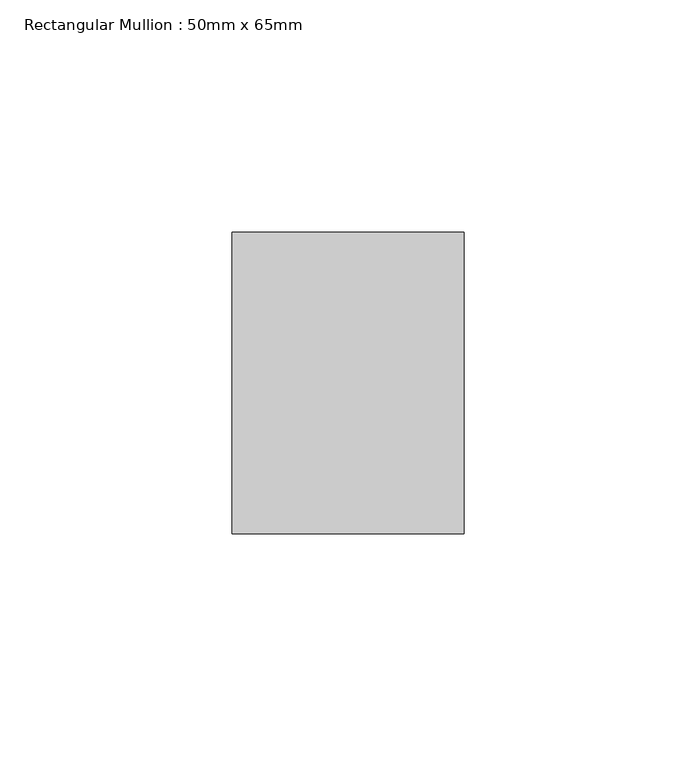
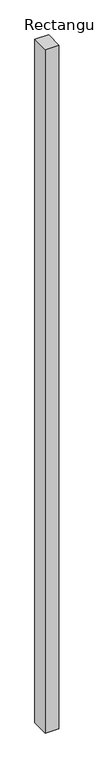
"""IFC4 building model written with IfcOpenShell, lengths in millimetres: member geometry, Rectangular Mullion : 50mm x 65mm."""

import ifcopenshell
import ifcopenshell.guid

model = None  # the IFC model being written
_history = None  # IfcOwnerHistory: only IFC2X3 demands one
_inside = {}  # id of a spatial element -> (the spatial element, [elements in it])
_under = {}  # id of a project, library or spatial element -> (it, [spatial elements below it])
_declared = {}  # id of a project -> (the project, [libraries it declares])
_typed = {}  # id of a type object -> (the type object, [elements of that type])
_made_of = {}  # id of a material, layer set ... -> (it, [elements and type objects made of it])


def new_model(schema):
    """Start an empty IFC model of exactly this schema.

    Asked for "IFC4X3", IfcOpenShell would pick the latest addendum, in which some entities
    have other attributes; the version numbers below select the first issue.
    IFC2X3 requires an IfcOwnerHistory on every rooted entity: one is made here for all.
    """
    global model, _history
    if schema == "IFC4X3":
        model = ifcopenshell.file(schema_version=(4, 3, 0, 0))
    else:
        model = ifcopenshell.file(schema=schema)
    _inside.clear()
    _under.clear()
    _declared.clear()
    _typed.clear()
    _made_of.clear()
    _history = None
    if model.schema == "IFC2X3":
        org = make("IfcOrganization", Name="unknown")
        user = make(
            "IfcPersonAndOrganization",
            ThePerson=make("IfcPerson", FamilyName="unknown"),
            TheOrganization=org,
        )
        app = make(
            "IfcApplication",
            ApplicationDeveloper=org,
            Version="unknown",
            ApplicationFullName="unknown",
            ApplicationIdentifier="unknown",
        )
        _history = make(
            "IfcOwnerHistory",
            OwningUser=user,
            OwningApplication=app,
            ChangeAction="ADDED",
            CreationDate=0,
        )
    return model


def make(cls, **values):
    """One entity of the class cls with the attributes given. An attribute that is None is left unset."""
    return model.create_entity(
        cls, **{name: value for name, value in values.items() if value is not None}
    )


def rooted(cls, **values):
    """An entity with a GlobalId (a new one), such as an element, a storey or a relation."""
    return make(cls, GlobalId=ifcopenshell.guid.new(), OwnerHistory=_history, **values)


def si_unit(unit_type, name, prefix=None):
    """IfcSIUnit, for example si_unit("LENGTHUNIT", "METRE", prefix="MILLI")."""
    return make("IfcSIUnit", UnitType=unit_type, Prefix=prefix, Name=name)


def assignment(units):
    """IfcUnitAssignment: the units of a project."""
    return None if units is None else make("IfcUnitAssignment", Units=units)


def point(xyz):
    """IfcCartesianPoint."""
    return None if xyz is None else make("IfcCartesianPoint", Coordinates=xyz)


def direction(xyz):
    """IfcDirection."""
    return None if xyz is None else make("IfcDirection", DirectionRatios=xyz)


def frame(location, z_axis=None, x_axis=None):
    """IfcAxis2Placement3D, a coordinate frame: its origin and axes. An axis left out is left unset."""
    return make(
        "IfcAxis2Placement3D",
        Location=point(location),
        Axis=direction(z_axis),
        RefDirection=direction(x_axis),
    )


def origin():
    """The frame at (0, 0, 0) with its axes left unset."""
    return frame((0.0, 0.0, 0.0))


def place(relative_to, where):
    """IfcLocalPlacement: puts the frame where relative to a parent placement (None: the world)."""
    return make(
        "IfcLocalPlacement", PlacementRelTo=relative_to, RelativePlacement=where
    )


def context(
    kind, dimensions, precision=None, world=None, true_north=None, identifier=None
):
    """IfcGeometricRepresentationContext, for example the 3D "Model" context."""
    return make(
        "IfcGeometricRepresentationContext",
        ContextIdentifier=identifier,
        ContextType=kind,
        CoordinateSpaceDimension=dimensions,
        Precision=precision,
        WorldCoordinateSystem=world,
        TrueNorth=true_north,
    )


def project(units=None, contexts=None):
    """IfcProject with its units and contexts."""
    return rooted(
        "IfcProject",
        Name="project",
        RepresentationContexts=contexts,
        UnitsInContext=assignment(units),
    )


def spatial(cls, under=None, at=None, **own):
    """A site, building, storey or space (cls), placed at a placement, below another one or the project."""
    s = rooted(cls, ObjectPlacement=at, **own)
    if under is not None:
        _under.setdefault(under.id(), (under, []))[1].append(s)
    return s


def polyline(points):
    """IfcPolyline through the points."""
    return make("IfcPolyline", Points=[point(p) for p in points])


def outline(outer, holes=None, kind="AREA"):
    """IfcArbitraryClosedProfileDef: a profile drawn as a closed curve; with holes, ...WithVoids."""
    if holes is None:
        return make("IfcArbitraryClosedProfileDef", ProfileType=kind, OuterCurve=outer)
    return make(
        "IfcArbitraryProfileDefWithVoids",
        ProfileType=kind,
        OuterCurve=outer,
        InnerCurves=holes,
    )


def extrude(swept, where, along, depth):
    """IfcExtrudedAreaSolid: the profile swept, set in the frame where, extruded along a direction by depth."""
    return make(
        "IfcExtrudedAreaSolid",
        SweptArea=swept,
        Position=where,
        ExtrudedDirection=direction(along),
        Depth=depth,
    )


def shape(context_of_items, identifier, shape_type, items):
    """IfcShapeRepresentation: the items that make up one representation, for example the "Body"."""
    return make(
        "IfcShapeRepresentation",
        ContextOfItems=context_of_items,
        RepresentationIdentifier=identifier,
        RepresentationType=shape_type,
        Items=items,
    )


def source(mapping_origin, context_of_items, identifier, shape_type, items):
    """IfcRepresentationMap: a shape defined once, which mapped items show again and again."""
    return make(
        "IfcRepresentationMap",
        MappingOrigin=mapping_origin,
        MappedRepresentation=shape(context_of_items, identifier, shape_type, items),
    )


def transform(
    local_origin,
    x_axis=None,
    y_axis=None,
    z_axis=None,
    scale=None,
    scale2=None,
    scale3=None,
    uniform=True,
):
    """IfcCartesianTransformationOperator3D, or its non-uniform kind. x_axis, y_axis, z_axis: its Axis1, 2, 3."""
    if uniform:
        return make(
            "IfcCartesianTransformationOperator3D",
            Axis1=direction(x_axis),
            Axis2=direction(y_axis),
            LocalOrigin=point(local_origin),
            Scale=scale,
            Axis3=direction(z_axis),
        )
    return make(
        "IfcCartesianTransformationOperator3DnonUniform",
        Axis1=direction(x_axis),
        Axis2=direction(y_axis),
        LocalOrigin=point(local_origin),
        Scale=scale,
        Axis3=direction(z_axis),
        Scale2=scale2,
        Scale3=scale3,
    )


def mapped(mapping_source, mapping_target):
    """IfcMappedItem: shows the shape of a source again, moved by a transform."""
    return make(
        "IfcMappedItem", MappingSource=mapping_source, MappingTarget=mapping_target
    )


def made_of(thing, what):
    """Note that an element or type object is made of a material, layer set ...; save() writes the relation."""
    if what is not None:
        _made_of.setdefault(what.id(), (what, []))[1].append(thing)
    return thing


def element(
    cls,
    number,
    at=None,
    inside=None,
    cuts=None,
    type_object=None,
    material=None,
    context=None,
    identifier="Body",
    shape_type=None,
    held_by="IfcProductDefinitionShape",
    body=None,
    shapes=None,
    **own,
):
    """One element of the class cls, such as IfcWall. Its Tag is "e" and its number.

    at: its placement. inside: the storey or other place that contains it. cuts: it is an
    opening in that element (IfcRelVoidsElement). A single representation is given by context,
    identifier, shape_type and body (its items); several are given by shapes. held_by: the class
    of the entity that holds the representations. save() writes the other relations.
    """
    e = rooted(cls, Tag="e%d" % number, ObjectPlacement=at, **own)
    if body is not None:
        shapes = [shape(context, identifier, shape_type, body)]
    if shapes is not None:
        e.Representation = make(held_by, Representations=shapes)
    if inside is not None:
        _inside.setdefault(inside.id(), (inside, []))[1].append(e)
    if cuts is not None:
        rooted(
            "IfcRelVoidsElement", RelatingBuildingElement=cuts, RelatedOpeningElement=e
        )
    if type_object is not None:
        _typed.setdefault(type_object.id(), (type_object, []))[1].append(e)
    return made_of(e, material)


def aggregate(whole, parts):
    """IfcRelAggregates: a whole, such as a stair, and the parts it consists of."""
    return rooted("IfcRelAggregates", RelatingObject=whole, RelatedObjects=parts)


def save(model, path):
    """Write the relations noted so far, then the file.

    IfcRelAggregates (storeys below a building ...), IfcRelContainedInSpatialStructure (elements
    in a storey), IfcRelDefinesByType, IfcRelAssociatesMaterial and IfcRelDeclares: one each for
    every whole, place, type object, material and project.
    """
    for whole, parts in _under.values():
        aggregate(whole, parts)
    for where, things in _inside.values():
        rooted(
            "IfcRelContainedInSpatialStructure",
            RelatedElements=things,
            RelatingStructure=where,
        )
    for kind, things in _typed.values():
        rooted("IfcRelDefinesByType", RelatedObjects=things, RelatingType=kind)
    for what, things in _made_of.values():
        rooted("IfcRelAssociatesMaterial", RelatedObjects=things, RelatingMaterial=what)
    for by, libraries in _declared.values():
        rooted("IfcRelDeclares", RelatingContext=by, RelatedDefinitions=libraries)
    model.write(path)


def rectangular_mullion_50mm_x_65mm_7665a80a(model_context):
    return source(origin(), model_context, "Body", "SweptSolid", [
        extrude(outline(polyline([(25.0, 32.5), (25.0, -32.5), (-25.0, -32.5), (-25.0, 32.5), (25.0, 32.5)])), frame((0.0, 0.0, -2625.0751296), z_axis=(0.0, 0.0, 1.0), x_axis=(1.0, 0.0, 0.0)), (0.0, 0.0, 1.0), 2625.0751296),
    ])


if __name__ == "__main__":
    model = new_model("IFC4")
    model_context = context("Model", 3, world=origin())
    ifc_project = project(units=[si_unit("LENGTHUNIT", "METRE", prefix="MILLI")], contexts=[model_context])
    site = spatial("IfcSite", under=ifc_project)
    building = spatial("IfcBuilding", under=site)
    placement = place(None, origin())
    rectangular_mullion_50mm_x_65mm_shape = rectangular_mullion_50mm_x_65mm_7665a80a(model_context)
    element("IfcMember", 1, ObjectType="Rectangular Mullion : 50mm x 65mm", at=placement, inside=building, context=model_context, shape_type="MappedRepresentation", body=[
        mapped(rectangular_mullion_50mm_x_65mm_shape, transform((0.0, 0.0, 0.0), x_axis=(1.0, 0.0, 0.0), y_axis=(0.0, 1.0, 0.0), z_axis=(0.0, 0.0, 1.0))),
    ])
    save(model, "model.ifc")
